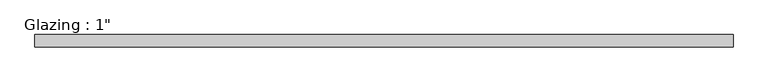
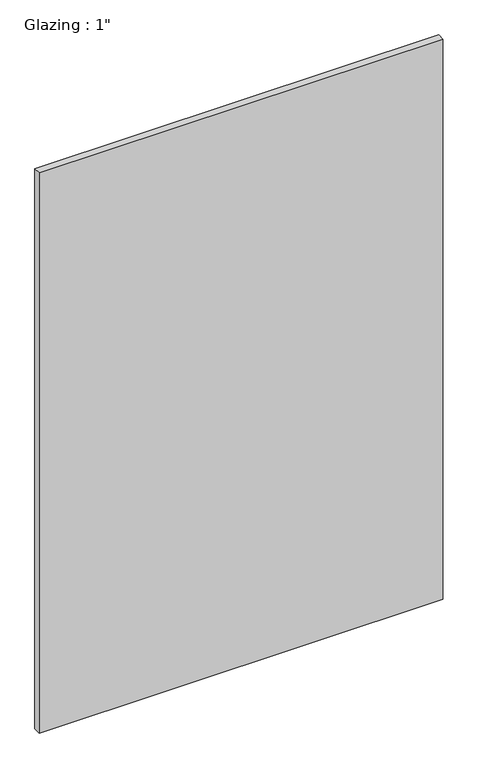
"""IFC4 building model written with IfcOpenShell, lengths in millimetres: plate geometry."""

from ifc_helpers import new_model, si_unit, origin, origin_with_axes, place, context, project, spatial, polyline, outline, extrude, source, transform, mapped, element, save


def plate_5c2af742(model_context):
    return source(origin(), model_context, "Body", "SweptSolid", [
        extrude(outline(polyline([(713.834995, 12.7), (713.834995, -12.7), (-713.834995, -12.7), (-713.834995, 12.7), (713.834995, 12.7)])), origin_with_axes(), (0.0, 0.0, 1.0), 2094.5430277),
    ])


if __name__ == "__main__":
    model = new_model("IFC4")
    model_context = context("Model", 3, world=origin())
    ifc_project = project(units=[si_unit("LENGTHUNIT", "METRE", prefix="MILLI")], contexts=[model_context])
    site = spatial("IfcSite", under=ifc_project)
    building = spatial("IfcBuilding", under=site)
    placement = place(None, origin())
    plate_shape = plate_5c2af742(model_context)
    element("IfcPlate", 1, ObjectType="Glazing : 1\"", at=placement, inside=building, context=model_context, shape_type="MappedRepresentation", body=[
        mapped(plate_shape, transform((0.0, 0.0, 0.0), x_axis=(1.0, 0.0, 0.0), y_axis=(0.0, 1.0, 0.0), z_axis=(0.0, 0.0, 1.0))),
    ])
    save(model, "model.ifc")
